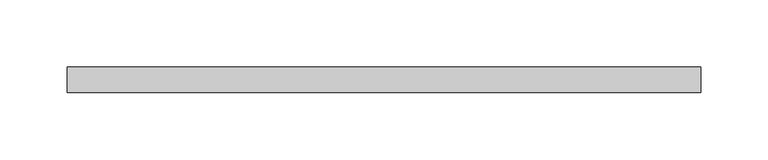
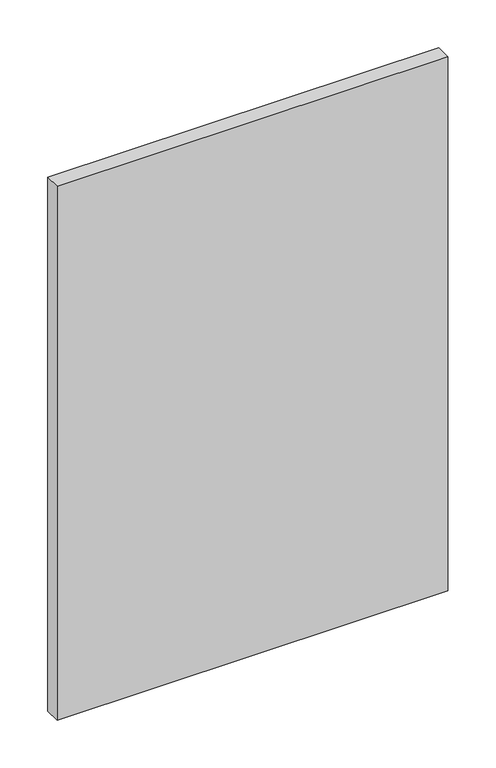
"""IFC4 building model written with IfcOpenShell, lengths in millimetres: furniture geometry."""

from ifc_helpers import new_model, si_unit, frame, origin, place, context, project, spatial, polyline, outline, extrude, source, transform, mapped, element, save


def furniture_33f79cf2(model_context):
    return source(origin(), model_context, "Body", "SweptSolid", [
        extrude(outline(polyline([(0.0, 0.0), (470.9999934, 0.0), (470.9999934, -18.9999996), (0.0, -18.9999996), (0.0, 0.0)])), frame((0.0, 0.0, 55.2999994), z_axis=(0.0, 0.0, 1.0), x_axis=(1.0, 0.0, 0.0)), (0.0, 0.0, 1.0), 679.958),
    ])


if __name__ == "__main__":
    model = new_model("IFC4")
    model_context = context("Model", 3, world=origin())
    ifc_project = project(units=[si_unit("LENGTHUNIT", "METRE", prefix="MILLI")], contexts=[model_context])
    site = spatial("IfcSite", under=ifc_project)
    building = spatial("IfcBuilding", under=site)
    placement = place(None, origin())
    furniture_shape = furniture_33f79cf2(model_context)
    element("IfcFurniture", 1, at=placement, inside=building, context=model_context, shape_type="MappedRepresentation", body=[
        mapped(furniture_shape, transform((0.0, 0.0, 0.0), x_axis=(1.0, 0.0, 0.0), y_axis=(0.0, 1.0, 0.0), z_axis=(0.0, 0.0, 1.0))),
    ])
    save(model, "model.ifc")
